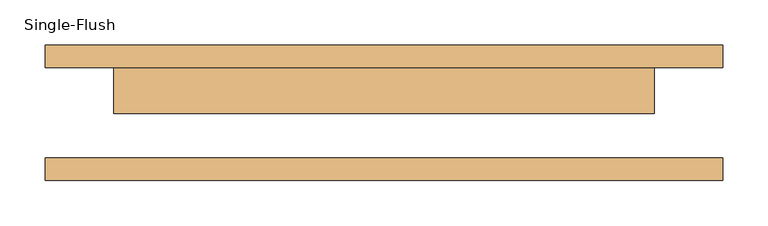
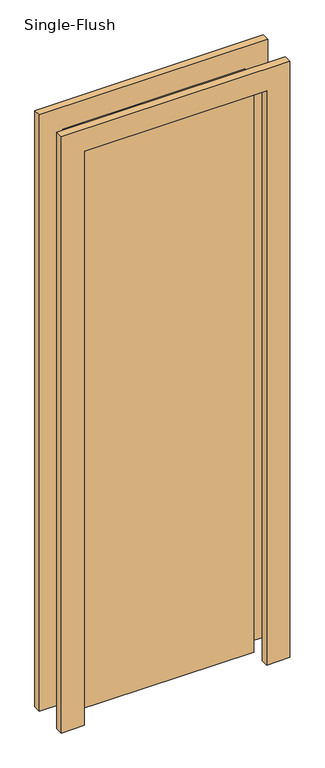
"""IFC4 building model written with IfcOpenShell, lengths in millimetres: door geometry, Single-Flush."""

from ifc_helpers import new_model, si_unit, frame, origin, origin_with_axes, place, context, project, spatial, polyline, outline, extrude, source, transform, mapped, element, save


def single_flush_6ab990f4(model_context):
    return source(origin(), model_context, "Body", "SweptSolid", [
        extrude(outline(polyline([(2076.2, -376.2), (0.0, -376.2), (0.0, -300.0), (2000.0, -300.0), (2000.0, 300.0), (0.0, 300.0), (0.0, 376.2), (2076.2, 376.2), (2076.2, -376.2)])), frame((0.0, 50.0, 0.0), z_axis=(0.0, 1.0, 0.0), x_axis=(0.0, 0.0, 1.0)), (0.0, 0.0, 1.0), 25.4),
        extrude(outline(polyline([(2076.2, 376.2), (2076.2, -376.2), (0.0, -376.2), (0.0, -300.0), (2000.0, -300.0), (2000.0, 300.0), (0.0, 300.0), (0.0, 376.2), (2076.2, 376.2)])), frame((0.0, -75.4, 0.0), z_axis=(0.0, 1.0, 0.0), x_axis=(0.0, 0.0, 1.0)), (0.0, 0.0, 1.0), 25.4),
        extrude(outline(polyline([(300.0, -0.8), (-300.0, -0.8), (-300.0, 50.0), (300.0, 50.0), (300.0, -0.8)])), origin_with_axes(), (0.0, 0.0, 1.0), 2000.0),
    ])


if __name__ == "__main__":
    model = new_model("IFC4")
    model_context = context("Model", 3, world=origin())
    ifc_project = project(units=[si_unit("LENGTHUNIT", "METRE", prefix="MILLI")], contexts=[model_context])
    site = spatial("IfcSite", under=ifc_project)
    building = spatial("IfcBuilding", under=site)
    placement = place(None, origin())
    single_flush_shape = single_flush_6ab990f4(model_context)
    element("IfcDoor", 1, ObjectType="Single-Flush", at=placement, inside=building, context=model_context, shape_type="MappedRepresentation", body=[
        mapped(single_flush_shape, transform((0.0, 0.0, 0.0), x_axis=(1.0, 0.0, 0.0), y_axis=(0.0, 1.0, 0.0), z_axis=(0.0, 0.0, 1.0))),
    ])
    save(model, "model.ifc")
